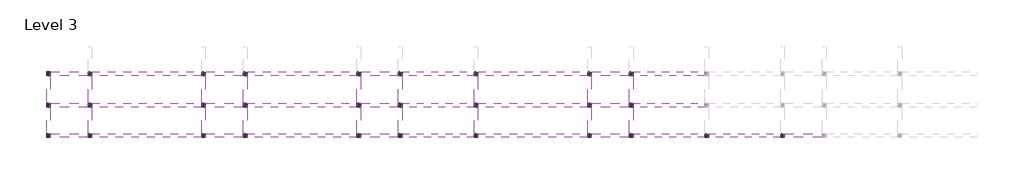
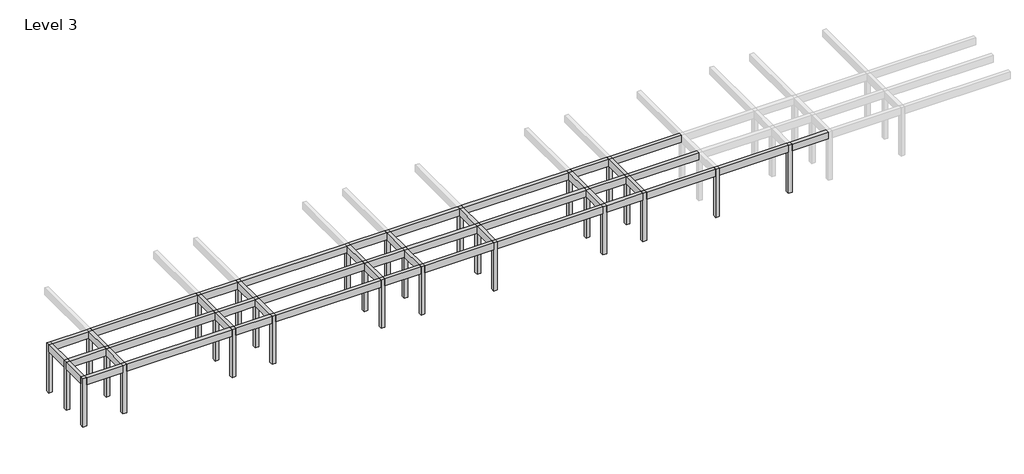
# One storey, part 1 of 3: 47 beams, 29 columns.
"""IFC4 building model written with IfcOpenShell, lengths in millimetres."""

import ifcopenshell
import ifcopenshell.guid

model = None  # the IFC model being written
_history = None  # IfcOwnerHistory: only IFC2X3 demands one
_inside = {}  # id of a spatial element -> (the spatial element, [elements in it])
_under = {}  # id of a project, library or spatial element -> (it, [spatial elements below it])
_declared = {}  # id of a project -> (the project, [libraries it declares])
_typed = {}  # id of a type object -> (the type object, [elements of that type])
_made_of = {}  # id of a material, layer set ... -> (it, [elements and type objects made of it])


def new_model(schema):
    """Start an empty IFC model of exactly this schema.

    Asked for "IFC4X3", IfcOpenShell would pick the latest addendum, in which some entities
    have other attributes; the version numbers below select the first issue.
    IFC2X3 requires an IfcOwnerHistory on every rooted entity: one is made here for all.
    """
    global model, _history
    if schema == "IFC4X3":
        model = ifcopenshell.file(schema_version=(4, 3, 0, 0))
    else:
        model = ifcopenshell.file(schema=schema)
    _inside.clear()
    _under.clear()
    _declared.clear()
    _typed.clear()
    _made_of.clear()
    _history = None
    if model.schema == "IFC2X3":
        org = make("IfcOrganization", Name="unknown")
        user = make(
            "IfcPersonAndOrganization",
            ThePerson=make("IfcPerson", FamilyName="unknown"),
            TheOrganization=org,
        )
        app = make(
            "IfcApplication",
            ApplicationDeveloper=org,
            Version="unknown",
            ApplicationFullName="unknown",
            ApplicationIdentifier="unknown",
        )
        _history = make(
            "IfcOwnerHistory",
            OwningUser=user,
            OwningApplication=app,
            ChangeAction="ADDED",
            CreationDate=0,
        )
    return model


def make(cls, **values):
    """One entity of the class cls with the attributes given. An attribute that is None is left unset."""
    return model.create_entity(
        cls, **{name: value for name, value in values.items() if value is not None}
    )


def rooted(cls, **values):
    """An entity with a GlobalId (a new one), such as an element, a storey or a relation."""
    return make(cls, GlobalId=ifcopenshell.guid.new(), OwnerHistory=_history, **values)


def si_unit(unit_type, name, prefix=None):
    """IfcSIUnit, for example si_unit("LENGTHUNIT", "METRE", prefix="MILLI")."""
    return make("IfcSIUnit", UnitType=unit_type, Prefix=prefix, Name=name)


def assignment(units):
    """IfcUnitAssignment: the units of a project."""
    return None if units is None else make("IfcUnitAssignment", Units=units)


def point(xyz):
    """IfcCartesianPoint."""
    return None if xyz is None else make("IfcCartesianPoint", Coordinates=xyz)


def direction(xyz):
    """IfcDirection."""
    return None if xyz is None else make("IfcDirection", DirectionRatios=xyz)


def frame(location, z_axis=None, x_axis=None):
    """IfcAxis2Placement3D, a coordinate frame: its origin and axes. An axis left out is left unset."""
    return make(
        "IfcAxis2Placement3D",
        Location=point(location),
        Axis=direction(z_axis),
        RefDirection=direction(x_axis),
    )


def origin():
    """The frame at (0, 0, 0) with its axes left unset."""
    return frame((0.0, 0.0, 0.0))


def place(relative_to, where):
    """IfcLocalPlacement: puts the frame where relative to a parent placement (None: the world)."""
    return make(
        "IfcLocalPlacement", PlacementRelTo=relative_to, RelativePlacement=where
    )


def context(
    kind, dimensions, precision=None, world=None, true_north=None, identifier=None
):
    """IfcGeometricRepresentationContext, for example the 3D "Model" context."""
    return make(
        "IfcGeometricRepresentationContext",
        ContextIdentifier=identifier,
        ContextType=kind,
        CoordinateSpaceDimension=dimensions,
        Precision=precision,
        WorldCoordinateSystem=world,
        TrueNorth=true_north,
    )


def project(units=None, contexts=None):
    """IfcProject with its units and contexts."""
    return rooted(
        "IfcProject",
        Name="project",
        RepresentationContexts=contexts,
        UnitsInContext=assignment(units),
    )


def spatial(cls, under=None, at=None, **own):
    """A site, building, storey or space (cls), placed at a placement, below another one or the project."""
    s = rooted(cls, ObjectPlacement=at, **own)
    if under is not None:
        _under.setdefault(under.id(), (under, []))[1].append(s)
    return s


def polyline(points):
    """IfcPolyline through the points."""
    return make("IfcPolyline", Points=[point(p) for p in points])


def outline(outer, holes=None, kind="AREA"):
    """IfcArbitraryClosedProfileDef: a profile drawn as a closed curve; with holes, ...WithVoids."""
    if holes is None:
        return make("IfcArbitraryClosedProfileDef", ProfileType=kind, OuterCurve=outer)
    return make(
        "IfcArbitraryProfileDefWithVoids",
        ProfileType=kind,
        OuterCurve=outer,
        InnerCurves=holes,
    )


def extrude(swept, where, along, depth):
    """IfcExtrudedAreaSolid: the profile swept, set in the frame where, extruded along a direction by depth."""
    return make(
        "IfcExtrudedAreaSolid",
        SweptArea=swept,
        Position=where,
        ExtrudedDirection=direction(along),
        Depth=depth,
    )


def shape(context_of_items, identifier, shape_type, items):
    """IfcShapeRepresentation: the items that make up one representation, for example the "Body"."""
    return make(
        "IfcShapeRepresentation",
        ContextOfItems=context_of_items,
        RepresentationIdentifier=identifier,
        RepresentationType=shape_type,
        Items=items,
    )


def made_of(thing, what):
    """Note that an element or type object is made of a material, layer set ...; save() writes the relation."""
    if what is not None:
        _made_of.setdefault(what.id(), (what, []))[1].append(thing)
    return thing


def element(
    cls,
    number,
    at=None,
    inside=None,
    cuts=None,
    type_object=None,
    material=None,
    context=None,
    identifier="Body",
    shape_type=None,
    held_by="IfcProductDefinitionShape",
    body=None,
    shapes=None,
    **own,
):
    """One element of the class cls, such as IfcWall. Its Tag is "e" and its number.

    at: its placement. inside: the storey or other place that contains it. cuts: it is an
    opening in that element (IfcRelVoidsElement). A single representation is given by context,
    identifier, shape_type and body (its items); several are given by shapes. held_by: the class
    of the entity that holds the representations. save() writes the other relations.
    """
    e = rooted(cls, Tag="e%d" % number, ObjectPlacement=at, **own)
    if body is not None:
        shapes = [shape(context, identifier, shape_type, body)]
    if shapes is not None:
        e.Representation = make(held_by, Representations=shapes)
    if inside is not None:
        _inside.setdefault(inside.id(), (inside, []))[1].append(e)
    if cuts is not None:
        rooted(
            "IfcRelVoidsElement", RelatingBuildingElement=cuts, RelatedOpeningElement=e
        )
    if type_object is not None:
        _typed.setdefault(type_object.id(), (type_object, []))[1].append(e)
    return made_of(e, material)


def aggregate(whole, parts):
    """IfcRelAggregates: a whole, such as a stair, and the parts it consists of."""
    return rooted("IfcRelAggregates", RelatingObject=whole, RelatedObjects=parts)


def save(model, path):
    """Write the relations noted so far, then the file.

    IfcRelAggregates (storeys below a building ...), IfcRelContainedInSpatialStructure (elements
    in a storey), IfcRelDefinesByType, IfcRelAssociatesMaterial and IfcRelDeclares: one each for
    every whole, place, type object, material and project.
    """
    for whole, parts in _under.values():
        aggregate(whole, parts)
    for where, things in _inside.values():
        rooted(
            "IfcRelContainedInSpatialStructure",
            RelatedElements=things,
            RelatingStructure=where,
        )
    for kind, things in _typed.values():
        rooted("IfcRelDefinesByType", RelatedObjects=things, RelatingType=kind)
    for what, things in _made_of.values():
        rooted("IfcRelAssociatesMaterial", RelatedObjects=things, RelatingMaterial=what)
    for by, libraries in _declared.values():
        rooted("IfcRelDeclares", RelatingContext=by, RelatedDefinitions=libraries)
    model.write(path)


model = new_model("IFC4")

# Units and contexts
model_context = context("Model", 3, world=origin())
ifc_project = project(units=[si_unit("LENGTHUNIT", "METRE", prefix="MILLI")], contexts=[model_context])

# Site, building, storey
site = spatial("IfcSite", under=ifc_project)
building = spatial("IfcBuilding", under=site)
storey = spatial("IfcBuildingStorey", under=building, Name="Level 3", Elevation=8400.0)

# Beams
placement = place(None, origin())
element("IfcBeam", 1, ObjectType="M_Concrete-Rectangular Beam : 300 x 600mm", at=placement, inside=storey, context=model_context, shape_type="SweptSolid", body=[
    extrude(outline(polyline([(-20304.046467, -2925.7492337), (-20004.046467, -2925.7492337), (-20004.046467, -5025.7492337), (-20304.046467, -5025.7492337), (-20304.046467, -2925.7492337)])), frame((0.0, 0.0, 12000.0), z_axis=(0.0, 0.0, 1.0), x_axis=(1.0, 0.0, 0.0)), (0.0, 0.0, 1.0), 600.0),
])
element("IfcBeam", 2, ObjectType="M_Concrete-Rectangular Beam : 300 x 600mm", at=placement, inside=storey, context=model_context, shape_type="SweptSolid", body=[
    extrude(outline(polyline([(-20304.046467, -425.7492337), (-20004.046467, -425.7492337), (-20004.046467, -2625.7492337), (-20304.046467, -2625.7492337), (-20304.046467, -425.7492337)])), frame((0.0, 0.0, 12000.0), z_axis=(0.0, 0.0, 1.0), x_axis=(1.0, 0.0, 0.0)), (0.0, 0.0, 1.0), 600.0),
])
element("IfcBeam", 3, ObjectType="M_Concrete-Rectangular Beam : 300 x 600mm", at=placement, inside=storey, context=model_context, shape_type="SweptSolid", body=[
    extrude(outline(polyline([(-17004.046467, -2925.7492337), (-16704.046467, -2925.7492337), (-16704.046467, -5025.7492337), (-17004.046467, -5025.7492337), (-17004.046467, -2925.7492337)])), frame((0.0, 0.0, 12000.0), z_axis=(0.0, 0.0, 1.0), x_axis=(1.0, 0.0, 0.0)), (0.0, 0.0, 1.0), 600.0),
])
element("IfcBeam", 4, ObjectType="M_Concrete-Rectangular Beam : 300 x 600mm", at=placement, inside=storey, context=model_context, shape_type="SweptSolid", body=[
    extrude(outline(polyline([(-17004.046467, -425.7492337), (-16704.046467, -425.7492337), (-16704.046467, -2625.7492337), (-17004.046467, -2625.7492337), (-17004.046467, -425.7492337)])), frame((0.0, 0.0, 12000.0), z_axis=(0.0, 0.0, 1.0), x_axis=(1.0, 0.0, 0.0)), (0.0, 0.0, 1.0), 600.0),
])
element("IfcBeam", 5, ObjectType="M_Concrete-Rectangular Beam : 300 x 600mm", at=placement, inside=storey, context=model_context, shape_type="SweptSolid", body=[
    extrude(outline(polyline([(-8004.046467, -2925.7492337), (-7704.046467, -2925.7492337), (-7704.046467, -5025.7492337), (-8004.046467, -5025.7492337), (-8004.046467, -2925.7492337)])), frame((0.0, 0.0, 12000.0), z_axis=(0.0, 0.0, 1.0), x_axis=(1.0, 0.0, 0.0)), (0.0, 0.0, 1.0), 600.0),
])
element("IfcBeam", 6, ObjectType="M_Concrete-Rectangular Beam : 300 x 600mm", at=placement, inside=storey, context=model_context, shape_type="SweptSolid", body=[
    extrude(outline(polyline([(-8004.046467, -425.7492337), (-7704.046467, -425.7492337), (-7704.046467, -2625.7492337), (-8004.046467, -2625.7492337), (-8004.046467, -425.7492337)])), frame((0.0, 0.0, 12000.0), z_axis=(0.0, 0.0, 1.0), x_axis=(1.0, 0.0, 0.0)), (0.0, 0.0, 1.0), 600.0),
])
element("IfcBeam", 7, ObjectType="M_Concrete-Rectangular Beam : 300 x 600mm", at=placement, inside=storey, context=model_context, shape_type="SweptSolid", body=[
    extrude(outline(polyline([(-4704.046467, -2925.7492337), (-4404.046467, -2925.7492337), (-4404.046467, -5025.7492337), (-4704.046467, -5025.7492337), (-4704.046467, -2925.7492337)])), frame((0.0, 0.0, 12000.0), z_axis=(0.0, 0.0, 1.0), x_axis=(1.0, 0.0, 0.0)), (0.0, 0.0, 1.0), 600.0),
])
element("IfcBeam", 8, ObjectType="M_Concrete-Rectangular Beam : 300 x 600mm", at=placement, inside=storey, context=model_context, shape_type="SweptSolid", body=[
    extrude(outline(polyline([(-4704.046467, -425.7492337), (-4404.046467, -425.7492337), (-4404.046467, -2625.7492337), (-4704.046467, -2625.7492337), (-4704.046467, -425.7492337)])), frame((0.0, 0.0, 12000.0), z_axis=(0.0, 0.0, 1.0), x_axis=(1.0, 0.0, 0.0)), (0.0, 0.0, 1.0), 600.0),
])
element("IfcBeam", 9, ObjectType="M_Concrete-Rectangular Beam : 300 x 600mm", at=placement, inside=storey, context=model_context, shape_type="SweptSolid", body=[
    extrude(outline(polyline([(4295.953533, -2925.7492337), (4595.953533, -2925.7492337), (4595.953533, -5025.7492337), (4295.953533, -5025.7492337), (4295.953533, -2925.7492337)])), frame((0.0, 0.0, 12000.0), z_axis=(0.0, 0.0, 1.0), x_axis=(1.0, 0.0, 0.0)), (0.0, 0.0, 1.0), 600.0),
])
element("IfcBeam", 10, ObjectType="M_Concrete-Rectangular Beam : 300 x 600mm", at=placement, inside=storey, context=model_context, shape_type="SweptSolid", body=[
    extrude(outline(polyline([(4295.953533, -425.7492337), (4595.953533, -425.7492337), (4595.953533, -2625.7492337), (4295.953533, -2625.7492337), (4295.953533, -425.7492337)])), frame((0.0, 0.0, 12000.0), z_axis=(0.0, 0.0, 1.0), x_axis=(1.0, 0.0, 0.0)), (0.0, 0.0, 1.0), 600.0),
])
element("IfcBeam", 11, ObjectType="M_Concrete-Rectangular Beam : 300 x 600mm", at=placement, inside=storey, context=model_context, shape_type="SweptSolid", body=[
    extrude(outline(polyline([(7595.953533, -2925.7492337), (7895.953533, -2925.7492337), (7895.953533, -5025.7492337), (7595.953533, -5025.7492337), (7595.953533, -2925.7492337)])), frame((0.0, 0.0, 12000.0), z_axis=(0.0, 0.0, 1.0), x_axis=(1.0, 0.0, 0.0)), (0.0, 0.0, 1.0), 600.0),
])
element("IfcBeam", 12, ObjectType="M_Concrete-Rectangular Beam : 300 x 600mm", at=placement, inside=storey, context=model_context, shape_type="SweptSolid", body=[
    extrude(outline(polyline([(7595.953533, -425.7492337), (7895.953533, -425.7492337), (7895.953533, -2625.7492337), (7595.953533, -2625.7492337), (7595.953533, -425.7492337)])), frame((0.0, 0.0, 12000.0), z_axis=(0.0, 0.0, 1.0), x_axis=(1.0, 0.0, 0.0)), (0.0, 0.0, 1.0), 600.0),
])
element("IfcBeam", 13, ObjectType="M_Concrete-Rectangular Beam : 300 x 600mm", at=placement, inside=storey, context=model_context, shape_type="SweptSolid", body=[
    extrude(outline(polyline([(13595.953533, -2925.7492337), (13895.953533, -2925.7492337), (13895.953533, -5025.7492337), (13595.953533, -5025.7492337), (13595.953533, -2925.7492337)])), frame((0.0, 0.0, 12000.0), z_axis=(0.0, 0.0, 1.0), x_axis=(1.0, 0.0, 0.0)), (0.0, 0.0, 1.0), 600.0),
])
element("IfcBeam", 14, ObjectType="M_Concrete-Rectangular Beam : 300 x 600mm", at=placement, inside=storey, context=model_context, shape_type="SweptSolid", body=[
    extrude(outline(polyline([(13595.953533, -425.7492337), (13895.953533, -425.7492337), (13895.953533, -2625.7492337), (13595.953533, -2625.7492337), (13595.953533, -425.7492337)])), frame((0.0, 0.0, 12000.0), z_axis=(0.0, 0.0, 1.0), x_axis=(1.0, 0.0, 0.0)), (0.0, 0.0, 1.0), 600.0),
])
element("IfcBeam", 15, ObjectType="M_Concrete-Rectangular Beam : 300 x 600mm", at=placement, inside=storey, context=model_context, shape_type="SweptSolid", body=[
    extrude(outline(polyline([(25895.953533, -2925.7492337), (26195.953533, -2925.7492337), (26195.953533, -5025.7492337), (25895.953533, -5025.7492337), (25895.953533, -2925.7492337)])), frame((0.0, 0.0, 12000.0), z_axis=(0.0, 0.0, 1.0), x_axis=(1.0, 0.0, 0.0)), (0.0, 0.0, 1.0), 600.0),
])
element("IfcBeam", 16, ObjectType="M_Concrete-Rectangular Beam : 300 x 600mm", at=placement, inside=storey, context=model_context, shape_type="SweptSolid", body=[
    extrude(outline(polyline([(25895.953533, -425.7492337), (26195.953533, -425.7492337), (26195.953533, -2625.7492337), (25895.953533, -2625.7492337), (25895.953533, -425.7492337)])), frame((0.0, 0.0, 12000.0), z_axis=(0.0, 0.0, 1.0), x_axis=(1.0, 0.0, 0.0)), (0.0, 0.0, 1.0), 600.0),
])
element("IfcBeam", 17, ObjectType="M_Concrete-Rectangular Beam : 300 x 600mm", at=placement, inside=storey, context=model_context, shape_type="SweptSolid", body=[
    extrude(outline(polyline([(22595.953533, -2925.7492337), (22895.953533, -2925.7492337), (22895.953533, -5025.7492337), (22595.953533, -5025.7492337), (22595.953533, -2925.7492337)])), frame((0.0, 0.0, 12000.0), z_axis=(0.0, 0.0, 1.0), x_axis=(1.0, 0.0, 0.0)), (0.0, 0.0, 1.0), 600.0),
])
element("IfcBeam", 18, ObjectType="M_Concrete-Rectangular Beam : 300 x 600mm", at=placement, inside=storey, context=model_context, shape_type="SweptSolid", body=[
    extrude(outline(polyline([(22595.953533, -425.7492337), (22895.953533, -425.7492337), (22895.953533, -2625.7492337), (22595.953533, -2625.7492337), (22595.953533, -425.7492337)])), frame((0.0, 0.0, 12000.0), z_axis=(0.0, 0.0, 1.0), x_axis=(1.0, 0.0, 0.0)), (0.0, 0.0, 1.0), 600.0),
])
element("IfcBeam", 19, ObjectType="M_Concrete-Rectangular Beam : 300 x 600mm", at=placement, inside=storey, context=model_context, shape_type="SweptSolid", body=[
    extrude(outline(polyline([(-20004.046467, -425.7492337), (-20004.046467, -125.7492337), (-17004.046467, -125.7492337), (-17004.046467, -425.7492337), (-20004.046467, -425.7492337)])), frame((0.0, 0.0, 12000.0), z_axis=(0.0, 0.0, 1.0), x_axis=(1.0, 0.0, 0.0)), (0.0, 0.0, 1.0), 600.0),
])
element("IfcBeam", 20, ObjectType="M_Concrete-Rectangular Beam : 300 x 600mm", at=placement, inside=storey, context=model_context, shape_type="SweptSolid", body=[
    extrude(outline(polyline([(-16704.046467, -425.7492337), (-16704.046467, -125.7492337), (-8004.046467, -125.7492337), (-8004.046467, -425.7492337), (-16704.046467, -425.7492337)])), frame((0.0, 0.0, 12000.0), z_axis=(0.0, 0.0, 1.0), x_axis=(1.0, 0.0, 0.0)), (0.0, 0.0, 1.0), 600.0),
])
element("IfcBeam", 21, ObjectType="M_Concrete-Rectangular Beam : 300 x 600mm", at=placement, inside=storey, context=model_context, shape_type="SweptSolid", body=[
    extrude(outline(polyline([(-7704.046467, -425.7492337), (-7704.046467, -125.7492337), (-4704.046467, -125.7492337), (-4704.046467, -425.7492337), (-7704.046467, -425.7492337)])), frame((0.0, 0.0, 12000.0), z_axis=(0.0, 0.0, 1.0), x_axis=(1.0, 0.0, 0.0)), (0.0, 0.0, 1.0), 600.0),
])
element("IfcBeam", 22, ObjectType="M_Concrete-Rectangular Beam : 300 x 600mm", at=placement, inside=storey, context=model_context, shape_type="SweptSolid", body=[
    extrude(outline(polyline([(-4404.046467, -425.7492337), (-4404.046467, -125.7492337), (4295.953533, -125.7492337), (4295.953533, -425.7492337), (-4404.046467, -425.7492337)])), frame((0.0, 0.0, 12000.0), z_axis=(0.0, 0.0, 1.0), x_axis=(1.0, 0.0, 0.0)), (0.0, 0.0, 1.0), 600.0),
])
element("IfcBeam", 23, ObjectType="M_Concrete-Rectangular Beam : 300 x 600mm", at=placement, inside=storey, context=model_context, shape_type="SweptSolid", body=[
    extrude(outline(polyline([(4595.953533, -425.7492337), (4595.953533, -125.7492337), (7595.953533, -125.7492337), (7595.953533, -425.7492337), (4595.953533, -425.7492337)])), frame((0.0, 0.0, 12000.0), z_axis=(0.0, 0.0, 1.0), x_axis=(1.0, 0.0, 0.0)), (0.0, 0.0, 1.0), 600.0),
])
element("IfcBeam", 24, ObjectType="M_Concrete-Rectangular Beam : 300 x 600mm", at=placement, inside=storey, context=model_context, shape_type="SweptSolid", body=[
    extrude(outline(polyline([(7895.953533, -425.7492337), (7895.953533, -125.7492337), (13595.953533, -125.7492337), (13595.953533, -425.7492337), (7895.953533, -425.7492337)])), frame((0.0, 0.0, 12000.0), z_axis=(0.0, 0.0, 1.0), x_axis=(1.0, 0.0, 0.0)), (0.0, 0.0, 1.0), 600.0),
])
element("IfcBeam", 25, ObjectType="M_Concrete-Rectangular Beam : 300 x 600mm", at=placement, inside=storey, context=model_context, shape_type="SweptSolid", body=[
    extrude(outline(polyline([(13895.953533, -425.7492337), (13895.953533, -125.7492337), (22595.953533, -125.7492337), (22595.953533, -425.7492337), (13895.953533, -425.7492337)])), frame((0.0, 0.0, 12000.0), z_axis=(0.0, 0.0, 1.0), x_axis=(1.0, 0.0, 0.0)), (0.0, 0.0, 1.0), 600.0),
])
element("IfcBeam", 26, ObjectType="M_Concrete-Rectangular Beam : 300 x 600mm", at=placement, inside=storey, context=model_context, shape_type="SweptSolid", body=[
    extrude(outline(polyline([(25895.953533, -125.7492337), (25895.953533, -425.7492337), (22895.953533, -425.7492337), (22895.953533, -125.7492337), (25895.953533, -125.7492337)])), frame((0.0, 0.0, 12000.0), z_axis=(0.0, 0.0, 1.0), x_axis=(1.0, 0.0, 0.0)), (0.0, 0.0, 1.0), 600.0),
])
element("IfcBeam", 27, ObjectType="M_Concrete-Rectangular Beam : 300 x 600mm", at=placement, inside=storey, context=model_context, shape_type="SweptSolid", body=[
    extrude(outline(polyline([(26195.953533, -425.7492337), (26195.953533, -125.7492337), (31895.953533, -125.7492337), (31895.953533, -425.7492337), (26195.953533, -425.7492337)])), frame((0.0, 0.0, 12000.0), z_axis=(0.0, 0.0, 1.0), x_axis=(1.0, 0.0, 0.0)), (0.0, 0.0, 1.0), 600.0),
])
element("IfcBeam", 28, ObjectType="M_Concrete-Rectangular Beam : 300 x 600mm", at=placement, inside=storey, context=model_context, shape_type="SweptSolid", body=[
    extrude(outline(polyline([(-20004.046467, -2925.7492337), (-20004.046467, -2625.7492337), (-17004.046467, -2625.7492337), (-17004.046467, -2925.7492337), (-20004.046467, -2925.7492337)])), frame((0.0, 0.0, 12000.0), z_axis=(0.0, 0.0, 1.0), x_axis=(1.0, 0.0, 0.0)), (0.0, 0.0, 1.0), 600.0),
])
element("IfcBeam", 29, ObjectType="M_Concrete-Rectangular Beam : 300 x 600mm", at=placement, inside=storey, context=model_context, shape_type="SweptSolid", body=[
    extrude(outline(polyline([(-16704.046467, -2925.7492337), (-16704.046467, -2625.7492337), (-8004.046467, -2625.7492337), (-8004.046467, -2925.7492337), (-16704.046467, -2925.7492337)])), frame((0.0, 0.0, 12000.0), z_axis=(0.0, 0.0, 1.0), x_axis=(1.0, 0.0, 0.0)), (0.0, 0.0, 1.0), 600.0),
])
element("IfcBeam", 30, ObjectType="M_Concrete-Rectangular Beam : 300 x 600mm", at=placement, inside=storey, context=model_context, shape_type="SweptSolid", body=[
    extrude(outline(polyline([(-7704.046467, -2925.7492337), (-7704.046467, -2625.7492337), (-4704.046467, -2625.7492337), (-4704.046467, -2925.7492337), (-7704.046467, -2925.7492337)])), frame((0.0, 0.0, 12000.0), z_axis=(0.0, 0.0, 1.0), x_axis=(1.0, 0.0, 0.0)), (0.0, 0.0, 1.0), 600.0),
])
element("IfcBeam", 31, ObjectType="M_Concrete-Rectangular Beam : 300 x 600mm", at=placement, inside=storey, context=model_context, shape_type="SweptSolid", body=[
    extrude(outline(polyline([(-4404.046467, -2925.7492337), (-4404.046467, -2625.7492337), (4295.953533, -2625.7492337), (4295.953533, -2925.7492337), (-4404.046467, -2925.7492337)])), frame((0.0, 0.0, 12000.0), z_axis=(0.0, 0.0, 1.0), x_axis=(1.0, 0.0, 0.0)), (0.0, 0.0, 1.0), 600.0),
])
element("IfcBeam", 32, ObjectType="M_Concrete-Rectangular Beam : 300 x 600mm", at=placement, inside=storey, context=model_context, shape_type="SweptSolid", body=[
    extrude(outline(polyline([(4595.953533, -2925.7492337), (4595.953533, -2625.7492337), (7595.953533, -2625.7492337), (7595.953533, -2925.7492337), (4595.953533, -2925.7492337)])), frame((0.0, 0.0, 12000.0), z_axis=(0.0, 0.0, 1.0), x_axis=(1.0, 0.0, 0.0)), (0.0, 0.0, 1.0), 600.0),
])
element("IfcBeam", 33, ObjectType="M_Concrete-Rectangular Beam : 300 x 600mm", at=placement, inside=storey, context=model_context, shape_type="SweptSolid", body=[
    extrude(outline(polyline([(7895.953533, -2925.7492337), (7895.953533, -2625.7492337), (13595.953533, -2625.7492337), (13595.953533, -2925.7492337), (7895.953533, -2925.7492337)])), frame((0.0, 0.0, 12000.0), z_axis=(0.0, 0.0, 1.0), x_axis=(1.0, 0.0, 0.0)), (0.0, 0.0, 1.0), 600.0),
])
element("IfcBeam", 34, ObjectType="M_Concrete-Rectangular Beam : 300 x 600mm", at=placement, inside=storey, context=model_context, shape_type="SweptSolid", body=[
    extrude(outline(polyline([(13895.953533, -2925.7492337), (13895.953533, -2625.7492337), (22595.953533, -2625.7492337), (22595.953533, -2925.7492337), (13895.953533, -2925.7492337)])), frame((0.0, 0.0, 12000.0), z_axis=(0.0, 0.0, 1.0), x_axis=(1.0, 0.0, 0.0)), (0.0, 0.0, 1.0), 600.0),
])
element("IfcBeam", 35, ObjectType="M_Concrete-Rectangular Beam : 300 x 600mm", at=placement, inside=storey, context=model_context, shape_type="SweptSolid", body=[
    extrude(outline(polyline([(25895.953533, -2625.7492337), (25895.953533, -2925.7492337), (22895.953533, -2925.7492337), (22895.953533, -2625.7492337), (25895.953533, -2625.7492337)])), frame((0.0, 0.0, 12000.0), z_axis=(0.0, 0.0, 1.0), x_axis=(1.0, 0.0, 0.0)), (0.0, 0.0, 1.0), 600.0),
])
element("IfcBeam", 36, ObjectType="M_Concrete-Rectangular Beam : 300 x 600mm", at=placement, inside=storey, context=model_context, shape_type="SweptSolid", body=[
    extrude(outline(polyline([(26195.953533, -2925.7492337), (26195.953533, -2625.7492337), (31895.953533, -2625.7492337), (31895.953533, -2925.7492337), (26195.953533, -2925.7492337)])), frame((0.0, 0.0, 12000.0), z_axis=(0.0, 0.0, 1.0), x_axis=(1.0, 0.0, 0.0)), (0.0, 0.0, 1.0), 600.0),
])
element("IfcBeam", 37, ObjectType="M_Concrete-Rectangular Beam : 300 x 600mm", at=placement, inside=storey, context=model_context, shape_type="SweptSolid", body=[
    extrude(outline(polyline([(-20004.046467, -5325.7492337), (-20004.046467, -5025.7492337), (-17004.046467, -5025.7492337), (-17004.046467, -5325.7492337), (-20004.046467, -5325.7492337)])), frame((0.0, 0.0, 12000.0), z_axis=(0.0, 0.0, 1.0), x_axis=(1.0, 0.0, 0.0)), (0.0, 0.0, 1.0), 600.0),
])
element("IfcBeam", 38, ObjectType="M_Concrete-Rectangular Beam : 300 x 600mm", at=placement, inside=storey, context=model_context, shape_type="SweptSolid", body=[
    extrude(outline(polyline([(-16704.046467, -5325.7492337), (-16704.046467, -5025.7492337), (-8004.046467, -5025.7492337), (-8004.046467, -5325.7492337), (-16704.046467, -5325.7492337)])), frame((0.0, 0.0, 12000.0), z_axis=(0.0, 0.0, 1.0), x_axis=(1.0, 0.0, 0.0)), (0.0, 0.0, 1.0), 600.0),
])
element("IfcBeam", 39, ObjectType="M_Concrete-Rectangular Beam : 300 x 600mm", at=placement, inside=storey, context=model_context, shape_type="SweptSolid", body=[
    extrude(outline(polyline([(-7704.046467, -5325.7492337), (-7704.046467, -5025.7492337), (-4704.046467, -5025.7492337), (-4704.046467, -5325.7492337), (-7704.046467, -5325.7492337)])), frame((0.0, 0.0, 12000.0), z_axis=(0.0, 0.0, 1.0), x_axis=(1.0, 0.0, 0.0)), (0.0, 0.0, 1.0), 600.0),
])
element("IfcBeam", 40, ObjectType="M_Concrete-Rectangular Beam : 300 x 600mm", at=placement, inside=storey, context=model_context, shape_type="SweptSolid", body=[
    extrude(outline(polyline([(-4404.046467, -5325.7492337), (-4404.046467, -5025.7492337), (4295.953533, -5025.7492337), (4295.953533, -5325.7492337), (-4404.046467, -5325.7492337)])), frame((0.0, 0.0, 12000.0), z_axis=(0.0, 0.0, 1.0), x_axis=(1.0, 0.0, 0.0)), (0.0, 0.0, 1.0), 600.0),
])
element("IfcBeam", 41, ObjectType="M_Concrete-Rectangular Beam : 300 x 600mm", at=placement, inside=storey, context=model_context, shape_type="SweptSolid", body=[
    extrude(outline(polyline([(4595.953533, -5325.7492337), (4595.953533, -5025.7492337), (7595.953533, -5025.7492337), (7595.953533, -5325.7492337), (4595.953533, -5325.7492337)])), frame((0.0, 0.0, 12000.0), z_axis=(0.0, 0.0, 1.0), x_axis=(1.0, 0.0, 0.0)), (0.0, 0.0, 1.0), 600.0),
])
element("IfcBeam", 42, ObjectType="M_Concrete-Rectangular Beam : 300 x 600mm", at=placement, inside=storey, context=model_context, shape_type="SweptSolid", body=[
    extrude(outline(polyline([(7895.953533, -5325.7492337), (7895.953533, -5025.7492337), (13595.953533, -5025.7492337), (13595.953533, -5325.7492337), (7895.953533, -5325.7492337)])), frame((0.0, 0.0, 12000.0), z_axis=(0.0, 0.0, 1.0), x_axis=(1.0, 0.0, 0.0)), (0.0, 0.0, 1.0), 600.0),
])
element("IfcBeam", 43, ObjectType="M_Concrete-Rectangular Beam : 300 x 600mm", at=placement, inside=storey, context=model_context, shape_type="SweptSolid", body=[
    extrude(outline(polyline([(13895.953533, -5325.7492337), (13895.953533, -5025.7492337), (22595.953533, -5025.7492337), (22595.953533, -5325.7492337), (13895.953533, -5325.7492337)])), frame((0.0, 0.0, 12000.0), z_axis=(0.0, 0.0, 1.0), x_axis=(1.0, 0.0, 0.0)), (0.0, 0.0, 1.0), 600.0),
])
element("IfcBeam", 44, ObjectType="M_Concrete-Rectangular Beam : 300 x 600mm", at=placement, inside=storey, context=model_context, shape_type="SweptSolid", body=[
    extrude(outline(polyline([(25895.953533, -5025.7492337), (25895.953533, -5325.7492337), (22895.953533, -5325.7492337), (22895.953533, -5025.7492337), (25895.953533, -5025.7492337)])), frame((0.0, 0.0, 12000.0), z_axis=(0.0, 0.0, 1.0), x_axis=(1.0, 0.0, 0.0)), (0.0, 0.0, 1.0), 600.0),
])
element("IfcBeam", 45, ObjectType="M_Concrete-Rectangular Beam : 300 x 600mm", at=placement, inside=storey, context=model_context, shape_type="SweptSolid", body=[
    extrude(outline(polyline([(26195.953533, -5325.7492337), (26195.953533, -5025.7492337), (31895.953533, -5025.7492337), (31895.953533, -5325.7492337), (26195.953533, -5325.7492337)])), frame((0.0, 0.0, 12000.0), z_axis=(0.0, 0.0, 1.0), x_axis=(1.0, 0.0, 0.0)), (0.0, 0.0, 1.0), 600.0),
])
element("IfcBeam", 46, ObjectType="M_Concrete-Rectangular Beam : 300 x 600mm", at=placement, inside=storey, context=model_context, shape_type="SweptSolid", body=[
    extrude(outline(polyline([(32195.953533, -5325.7492337), (32195.953533, -5025.7492337), (37895.953533, -5025.7492337), (37895.953533, -5325.7492337), (32195.953533, -5325.7492337)])), frame((0.0, 0.0, 12000.0), z_axis=(0.0, 0.0, 1.0), x_axis=(1.0, 0.0, 0.0)), (0.0, 0.0, 1.0), 600.0),
])
element("IfcBeam", 47, ObjectType="M_Concrete-Rectangular Beam : 300 x 600mm", at=placement, inside=storey, context=model_context, shape_type="SweptSolid", body=[
    extrude(outline(polyline([(38195.953533, -5325.7492337), (38195.953533, -5025.7492337), (41195.953533, -5025.7492337), (41195.953533, -5325.7492337), (38195.953533, -5325.7492337)])), frame((0.0, 0.0, 12000.0), z_axis=(0.0, 0.0, 1.0), x_axis=(1.0, 0.0, 0.0)), (0.0, 0.0, 1.0), 600.0),
])

# Columns
element("IfcColumn", 48, ObjectType="M_Concrete-Square-Column : 300 x 300mm", at=placement, inside=storey, context=model_context, shape_type="SweptSolid", body=[
    extrude(outline(polyline([(-20004.046467, -125.7492337), (-20004.046467, -425.7492337), (-20304.046467, -425.7492337), (-20304.046467, -125.7492337), (-20004.046467, -125.7492337)])), frame((0.0, 0.0, 8400.0), z_axis=(0.0, 0.0, 1.0), x_axis=(1.0, 0.0, 0.0)), (0.0, 0.0, 1.0), 4200.0),
])
element("IfcColumn", 49, ObjectType="M_Concrete-Square-Column : 300 x 300mm", at=placement, inside=storey, context=model_context, shape_type="SweptSolid", body=[
    extrude(outline(polyline([(-20004.046467, -2625.7492337), (-20004.046467, -2925.7492337), (-20304.046467, -2925.7492337), (-20304.046467, -2625.7492337), (-20004.046467, -2625.7492337)])), frame((0.0, 0.0, 8400.0), z_axis=(0.0, 0.0, 1.0), x_axis=(1.0, 0.0, 0.0)), (0.0, 0.0, 1.0), 4200.0),
])
element("IfcColumn", 50, ObjectType="M_Concrete-Square-Column : 300 x 300mm", at=placement, inside=storey, context=model_context, shape_type="SweptSolid", body=[
    extrude(outline(polyline([(-20004.046467, -5025.7492337), (-20004.046467, -5325.7492337), (-20304.046467, -5325.7492337), (-20304.046467, -5025.7492337), (-20004.046467, -5025.7492337)])), frame((0.0, 0.0, 8400.0), z_axis=(0.0, 0.0, 1.0), x_axis=(1.0, 0.0, 0.0)), (0.0, 0.0, 1.0), 4200.0),
])
element("IfcColumn", 51, ObjectType="M_Concrete-Square-Column : 300 x 300mm", at=placement, inside=storey, context=model_context, shape_type="SweptSolid", body=[
    extrude(outline(polyline([(-16704.046467, -125.7492337), (-16704.046467, -425.7492337), (-17004.046467, -425.7492337), (-17004.046467, -125.7492337), (-16704.046467, -125.7492337)])), frame((0.0, 0.0, 8400.0), z_axis=(0.0, 0.0, 1.0), x_axis=(1.0, 0.0, 0.0)), (0.0, 0.0, 1.0), 4200.0),
])
element("IfcColumn", 52, ObjectType="M_Concrete-Square-Column : 300 x 300mm", at=placement, inside=storey, context=model_context, shape_type="SweptSolid", body=[
    extrude(outline(polyline([(-16704.046467, -2625.7492337), (-16704.046467, -2925.7492337), (-17004.046467, -2925.7492337), (-17004.046467, -2625.7492337), (-16704.046467, -2625.7492337)])), frame((0.0, 0.0, 8400.0), z_axis=(0.0, 0.0, 1.0), x_axis=(1.0, 0.0, 0.0)), (0.0, 0.0, 1.0), 4200.0),
])
element("IfcColumn", 53, ObjectType="M_Concrete-Square-Column : 300 x 300mm", at=placement, inside=storey, context=model_context, shape_type="SweptSolid", body=[
    extrude(outline(polyline([(-16704.046467, -5025.7492337), (-16704.046467, -5325.7492337), (-17004.046467, -5325.7492337), (-17004.046467, -5025.7492337), (-16704.046467, -5025.7492337)])), frame((0.0, 0.0, 8400.0), z_axis=(0.0, 0.0, 1.0), x_axis=(1.0, 0.0, 0.0)), (0.0, 0.0, 1.0), 4200.0),
])
element("IfcColumn", 54, ObjectType="M_Concrete-Square-Column : 300 x 300mm", at=placement, inside=storey, context=model_context, shape_type="SweptSolid", body=[
    extrude(outline(polyline([(-7704.046467, -125.7492337), (-7704.046467, -425.7492337), (-8004.046467, -425.7492337), (-8004.046467, -125.7492337), (-7704.046467, -125.7492337)])), frame((0.0, 0.0, 8400.0), z_axis=(0.0, 0.0, 1.0), x_axis=(1.0, 0.0, 0.0)), (0.0, 0.0, 1.0), 4200.0),
])
element("IfcColumn", 55, ObjectType="M_Concrete-Square-Column : 300 x 300mm", at=placement, inside=storey, context=model_context, shape_type="SweptSolid", body=[
    extrude(outline(polyline([(-7704.046467, -2625.7492337), (-7704.046467, -2925.7492337), (-8004.046467, -2925.7492337), (-8004.046467, -2625.7492337), (-7704.046467, -2625.7492337)])), frame((0.0, 0.0, 8400.0), z_axis=(0.0, 0.0, 1.0), x_axis=(1.0, 0.0, 0.0)), (0.0, 0.0, 1.0), 4200.0),
])
element("IfcColumn", 56, ObjectType="M_Concrete-Square-Column : 300 x 300mm", at=placement, inside=storey, context=model_context, shape_type="SweptSolid", body=[
    extrude(outline(polyline([(-7704.046467, -5025.7492337), (-7704.046467, -5325.7492337), (-8004.046467, -5325.7492337), (-8004.046467, -5025.7492337), (-7704.046467, -5025.7492337)])), frame((0.0, 0.0, 8400.0), z_axis=(0.0, 0.0, 1.0), x_axis=(1.0, 0.0, 0.0)), (0.0, 0.0, 1.0), 4200.0),
])
element("IfcColumn", 57, ObjectType="M_Concrete-Square-Column : 300 x 300mm", at=placement, inside=storey, context=model_context, shape_type="SweptSolid", body=[
    extrude(outline(polyline([(-4404.046467, -125.7492337), (-4404.046467, -425.7492337), (-4704.046467, -425.7492337), (-4704.046467, -125.7492337), (-4404.046467, -125.7492337)])), frame((0.0, 0.0, 8400.0), z_axis=(0.0, 0.0, 1.0), x_axis=(1.0, 0.0, 0.0)), (0.0, 0.0, 1.0), 4200.0),
])
element("IfcColumn", 58, ObjectType="M_Concrete-Square-Column : 300 x 300mm", at=placement, inside=storey, context=model_context, shape_type="SweptSolid", body=[
    extrude(outline(polyline([(-4404.046467, -2625.7492337), (-4404.046467, -2925.7492337), (-4704.046467, -2925.7492337), (-4704.046467, -2625.7492337), (-4404.046467, -2625.7492337)])), frame((0.0, 0.0, 8400.0), z_axis=(0.0, 0.0, 1.0), x_axis=(1.0, 0.0, 0.0)), (0.0, 0.0, 1.0), 4200.0),
])
element("IfcColumn", 59, ObjectType="M_Concrete-Square-Column : 300 x 300mm", at=placement, inside=storey, context=model_context, shape_type="SweptSolid", body=[
    extrude(outline(polyline([(-4404.046467, -5025.7492337), (-4404.046467, -5325.7492337), (-4704.046467, -5325.7492337), (-4704.046467, -5025.7492337), (-4404.046467, -5025.7492337)])), frame((0.0, 0.0, 8400.0), z_axis=(0.0, 0.0, 1.0), x_axis=(1.0, 0.0, 0.0)), (0.0, 0.0, 1.0), 4200.0),
])
element("IfcColumn", 60, ObjectType="M_Concrete-Square-Column : 300 x 300mm", at=placement, inside=storey, context=model_context, shape_type="SweptSolid", body=[
    extrude(outline(polyline([(4595.953533, -125.7492337), (4595.953533, -425.7492337), (4295.953533, -425.7492337), (4295.953533, -125.7492337), (4595.953533, -125.7492337)])), frame((0.0, 0.0, 8400.0), z_axis=(0.0, 0.0, 1.0), x_axis=(1.0, 0.0, 0.0)), (0.0, 0.0, 1.0), 4200.0),
])
element("IfcColumn", 61, ObjectType="M_Concrete-Square-Column : 300 x 300mm", at=placement, inside=storey, context=model_context, shape_type="SweptSolid", body=[
    extrude(outline(polyline([(4595.953533, -2625.7492337), (4595.953533, -2925.7492337), (4295.953533, -2925.7492337), (4295.953533, -2625.7492337), (4595.953533, -2625.7492337)])), frame((0.0, 0.0, 8400.0), z_axis=(0.0, 0.0, 1.0), x_axis=(1.0, 0.0, 0.0)), (0.0, 0.0, 1.0), 4200.0),
])
element("IfcColumn", 62, ObjectType="M_Concrete-Square-Column : 300 x 300mm", at=placement, inside=storey, context=model_context, shape_type="SweptSolid", body=[
    extrude(outline(polyline([(4595.953533, -5025.7492337), (4595.953533, -5325.7492337), (4295.953533, -5325.7492337), (4295.953533, -5025.7492337), (4595.953533, -5025.7492337)])), frame((0.0, 0.0, 8400.0), z_axis=(0.0, 0.0, 1.0), x_axis=(1.0, 0.0, 0.0)), (0.0, 0.0, 1.0), 4200.0),
])
element("IfcColumn", 63, ObjectType="M_Concrete-Square-Column : 300 x 300mm", at=placement, inside=storey, context=model_context, shape_type="SweptSolid", body=[
    extrude(outline(polyline([(7895.953533, -125.7492337), (7895.953533, -425.7492337), (7595.953533, -425.7492337), (7595.953533, -125.7492337), (7895.953533, -125.7492337)])), frame((0.0, 0.0, 8400.0), z_axis=(0.0, 0.0, 1.0), x_axis=(1.0, 0.0, 0.0)), (0.0, 0.0, 1.0), 4200.0),
])
element("IfcColumn", 64, ObjectType="M_Concrete-Square-Column : 300 x 300mm", at=placement, inside=storey, context=model_context, shape_type="SweptSolid", body=[
    extrude(outline(polyline([(7895.953533, -2625.7492337), (7895.953533, -2925.7492337), (7595.953533, -2925.7492337), (7595.953533, -2625.7492337), (7895.953533, -2625.7492337)])), frame((0.0, 0.0, 8400.0), z_axis=(0.0, 0.0, 1.0), x_axis=(1.0, 0.0, 0.0)), (0.0, 0.0, 1.0), 4200.0),
])
element("IfcColumn", 65, ObjectType="M_Concrete-Square-Column : 300 x 300mm", at=placement, inside=storey, context=model_context, shape_type="SweptSolid", body=[
    extrude(outline(polyline([(7895.953533, -5025.7492337), (7895.953533, -5325.7492337), (7595.953533, -5325.7492337), (7595.953533, -5025.7492337), (7895.953533, -5025.7492337)])), frame((0.0, 0.0, 8400.0), z_axis=(0.0, 0.0, 1.0), x_axis=(1.0, 0.0, 0.0)), (0.0, 0.0, 1.0), 4200.0),
])
element("IfcColumn", 66, ObjectType="M_Concrete-Square-Column : 300 x 300mm", at=placement, inside=storey, context=model_context, shape_type="SweptSolid", body=[
    extrude(outline(polyline([(13895.953533, -125.7492337), (13895.953533, -425.7492337), (13595.953533, -425.7492337), (13595.953533, -125.7492337), (13895.953533, -125.7492337)])), frame((0.0, 0.0, 8400.0), z_axis=(0.0, 0.0, 1.0), x_axis=(1.0, 0.0, 0.0)), (0.0, 0.0, 1.0), 4200.0),
])
element("IfcColumn", 67, ObjectType="M_Concrete-Square-Column : 300 x 300mm", at=placement, inside=storey, context=model_context, shape_type="SweptSolid", body=[
    extrude(outline(polyline([(13895.953533, -2625.7492337), (13895.953533, -2925.7492337), (13595.953533, -2925.7492337), (13595.953533, -2625.7492337), (13895.953533, -2625.7492337)])), frame((0.0, 0.0, 8400.0), z_axis=(0.0, 0.0, 1.0), x_axis=(1.0, 0.0, 0.0)), (0.0, 0.0, 1.0), 4200.0),
])
element("IfcColumn", 68, ObjectType="M_Concrete-Square-Column : 300 x 300mm", at=placement, inside=storey, context=model_context, shape_type="SweptSolid", body=[
    extrude(outline(polyline([(13895.953533, -5025.7492337), (13895.953533, -5325.7492337), (13595.953533, -5325.7492337), (13595.953533, -5025.7492337), (13895.953533, -5025.7492337)])), frame((0.0, 0.0, 8400.0), z_axis=(0.0, 0.0, 1.0), x_axis=(1.0, 0.0, 0.0)), (0.0, 0.0, 1.0), 4200.0),
])
element("IfcColumn", 69, ObjectType="M_Concrete-Square-Column : 300 x 300mm", at=placement, inside=storey, context=model_context, shape_type="SweptSolid", body=[
    extrude(outline(polyline([(26195.953533, -125.7492337), (26195.953533, -425.7492337), (25895.953533, -425.7492337), (25895.953533, -125.7492337), (26195.953533, -125.7492337)])), frame((0.0, 0.0, 8400.0), z_axis=(0.0, 0.0, 1.0), x_axis=(1.0, 0.0, 0.0)), (0.0, 0.0, 1.0), 4200.0),
])
element("IfcColumn", 70, ObjectType="M_Concrete-Square-Column : 300 x 300mm", at=placement, inside=storey, context=model_context, shape_type="SweptSolid", body=[
    extrude(outline(polyline([(26195.953533, -2625.7492337), (26195.953533, -2925.7492337), (25895.953533, -2925.7492337), (25895.953533, -2625.7492337), (26195.953533, -2625.7492337)])), frame((0.0, 0.0, 8400.0), z_axis=(0.0, 0.0, 1.0), x_axis=(1.0, 0.0, 0.0)), (0.0, 0.0, 1.0), 4200.0),
])
element("IfcColumn", 71, ObjectType="M_Concrete-Square-Column : 300 x 300mm", at=placement, inside=storey, context=model_context, shape_type="SweptSolid", body=[
    extrude(outline(polyline([(26195.953533, -5025.7492337), (26195.953533, -5325.7492337), (25895.953533, -5325.7492337), (25895.953533, -5025.7492337), (26195.953533, -5025.7492337)])), frame((0.0, 0.0, 8400.0), z_axis=(0.0, 0.0, 1.0), x_axis=(1.0, 0.0, 0.0)), (0.0, 0.0, 1.0), 4200.0),
])
element("IfcColumn", 72, ObjectType="M_Concrete-Square-Column : 300 x 300mm", at=placement, inside=storey, context=model_context, shape_type="SweptSolid", body=[
    extrude(outline(polyline([(22895.953533, -125.7492337), (22895.953533, -425.7492337), (22595.953533, -425.7492337), (22595.953533, -125.7492337), (22895.953533, -125.7492337)])), frame((0.0, 0.0, 8400.0), z_axis=(0.0, 0.0, 1.0), x_axis=(1.0, 0.0, 0.0)), (0.0, 0.0, 1.0), 4200.0),
])
element("IfcColumn", 73, ObjectType="M_Concrete-Square-Column : 300 x 300mm", at=placement, inside=storey, context=model_context, shape_type="SweptSolid", body=[
    extrude(outline(polyline([(22895.953533, -2625.7492337), (22895.953533, -2925.7492337), (22595.953533, -2925.7492337), (22595.953533, -2625.7492337), (22895.953533, -2625.7492337)])), frame((0.0, 0.0, 8400.0), z_axis=(0.0, 0.0, 1.0), x_axis=(1.0, 0.0, 0.0)), (0.0, 0.0, 1.0), 4200.0),
])
element("IfcColumn", 74, ObjectType="M_Concrete-Square-Column : 300 x 300mm", at=placement, inside=storey, context=model_context, shape_type="SweptSolid", body=[
    extrude(outline(polyline([(22895.953533, -5025.7492337), (22895.953533, -5325.7492337), (22595.953533, -5325.7492337), (22595.953533, -5025.7492337), (22895.953533, -5025.7492337)])), frame((0.0, 0.0, 8400.0), z_axis=(0.0, 0.0, 1.0), x_axis=(1.0, 0.0, 0.0)), (0.0, 0.0, 1.0), 4200.0),
])
element("IfcColumn", 75, ObjectType="M_Concrete-Square-Column : 300 x 300mm", at=placement, inside=storey, context=model_context, shape_type="SweptSolid", body=[
    extrude(outline(polyline([(32195.953533, -5025.7492337), (32195.953533, -5325.7492337), (31895.953533, -5325.7492337), (31895.953533, -5025.7492337), (32195.953533, -5025.7492337)])), frame((0.0, 0.0, 8400.0), z_axis=(0.0, 0.0, 1.0), x_axis=(1.0, 0.0, 0.0)), (0.0, 0.0, 1.0), 4200.0),
])
element("IfcColumn", 76, ObjectType="M_Concrete-Square-Column : 300 x 300mm", at=placement, inside=storey, context=model_context, shape_type="SweptSolid", body=[
    extrude(outline(polyline([(38195.953533, -5025.7492337), (38195.953533, -5325.7492337), (37895.953533, -5325.7492337), (37895.953533, -5025.7492337), (38195.953533, -5025.7492337)])), frame((0.0, 0.0, 8400.0), z_axis=(0.0, 0.0, 1.0), x_axis=(1.0, 0.0, 0.0)), (0.0, 0.0, 1.0), 4200.0),
])

save(model, "model.ifc")
